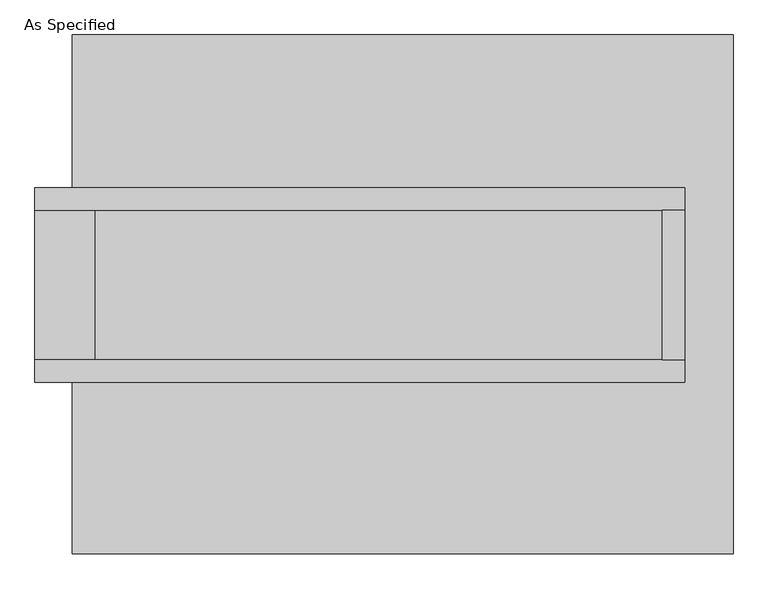
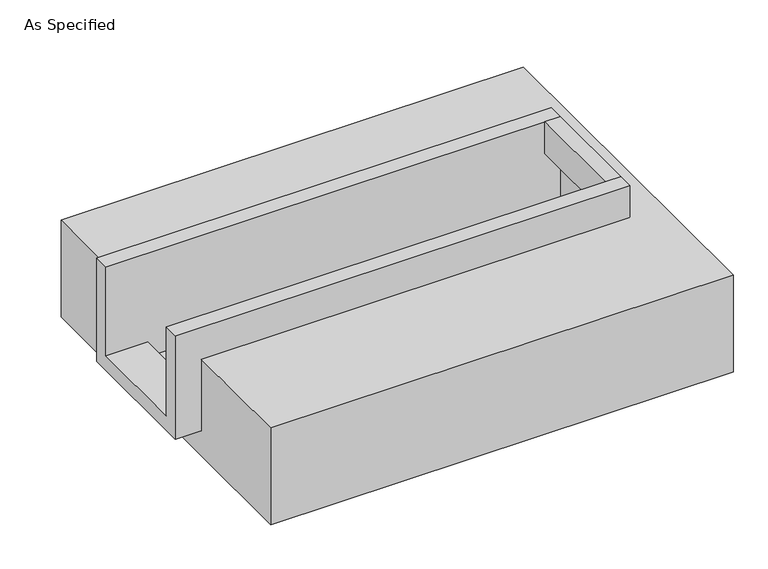
"""IFC4 building model written with IfcOpenShell, lengths in millimetres: proxy geometry, As Specified."""

from ifc_helpers import new_model, si_unit, frame, origin, place, context, project, spatial, polyline, outline, extrude, faceted_brep, source, transform, mapped, element, save


def as_specified_b8faef18(model_context):
    return source(origin(), model_context, "Body", "SolidModel", [
        extrude(outline(polyline([(882.65, 285.75), (958.85, 285.75), (958.85, -222.25), (882.65, -222.25), (882.65, 285.75)])), frame((0.0, 0.0, -25.4), z_axis=(0.0, 0.0, 1.0), x_axis=(1.0, 0.0, 0.0)), (0.0, 0.0, 1.0), 165.1),
        faceted_brep([(958.85, 285.75, 139.7), (958.85, 285.75, -317.5), (958.85, -222.25, -317.5), (958.85, -222.25, 139.7), (958.85, -298.45, 139.7), (958.85, -298.45, -393.7), (958.85, 361.95, -393.7), (958.85, 361.95, 139.7), (-1250.95, 285.75, 139.7), (-1250.95, 361.95, 139.7), (-1250.95, 361.95, -393.7), (-1250.95, -298.45, -393.7), (-1250.95, -298.45, 139.7), (-1250.95, -222.25, 139.7), (-1250.95, -222.25, -317.5), (-1250.95, 285.75, -317.5), (-1047.75, 285.75, -393.7), (-1047.75, -222.25, -393.7), (882.65, -222.25, -393.7), (882.65, 285.75, -393.7), (882.65, -222.25, -317.5), (-1047.75, -222.25, -317.5), (882.65, 285.75, -317.5), (-1047.75, 285.75, -317.5)], [[[0, 1, 2, 3, 4, 5, 6, 7]], [[8, 9, 10, 11, 12, 13, 14, 15]], [[0, 7, 9, 8]], [[7, 6, 10, 9]], [[6, 5, 11, 10], [16, 17, 18, 19]], [[4, 3, 13, 12]], [[3, 2, 20, 18, 17, 21, 14, 13]], [[2, 1, 22, 20]], [[15, 14, 21, 23]], [[1, 0, 8, 15, 23, 16, 19, 22]], [[21, 17, 16, 23]], [[18, 20, 22, 19]], [[5, 4, 12, 11]]]),
        faceted_brep([(-1123.95, 882.65, -523.9742188), (1123.95, 882.65, -523.9742188), (1123.95, -882.65, -523.9742188), (-1123.95, -882.65, -523.9742188), (1123.95, 882.65, -25.4), (-1123.95, 882.65, -25.4), (-1123.95, 361.95, -25.4), (958.85, 361.95, -25.4), (958.85, -298.45, -25.4), (-1123.95, -298.45, -25.4), (-1123.95, -882.65, -25.4), (1123.95, -882.65, -25.4), (-1123.95, -298.45, -393.7), (-1123.95, 361.95, -393.7), (958.85, 361.95, -393.7), (958.85, -298.45, -393.7)], [[[0, 1, 2, 3]], [[4, 5, 6, 7, 8, 9, 10, 11]], [[1, 0, 5, 4]], [[5, 0, 3, 10, 9, 12, 13, 6]], [[1, 4, 11, 2]], [[3, 2, 11, 10]], [[14, 15, 8, 7]], [[13, 14, 7, 6]], [[15, 14, 13, 12]], [[15, 12, 9, 8]]]),
    ])


if __name__ == "__main__":
    model = new_model("IFC4")
    model_context = context("Model", 3, world=origin())
    ifc_project = project(units=[si_unit("LENGTHUNIT", "METRE", prefix="MILLI")], contexts=[model_context])
    site = spatial("IfcSite", under=ifc_project)
    building = spatial("IfcBuilding", under=site)
    placement = place(None, origin())
    as_specified_shape = as_specified_b8faef18(model_context)
    element("IfcBuildingElementProxy", 1, Name="As Specified", ObjectType="As Specified", at=placement, inside=building, context=model_context, shape_type="MappedRepresentation", body=[
        mapped(as_specified_shape, transform((0.0, 0.0, 0.0), x_axis=(1.0, 0.0, 0.0), y_axis=(0.0, 1.0, 0.0), z_axis=(0.0, 0.0, 1.0))),
    ])
    save(model, "model.ifc")
